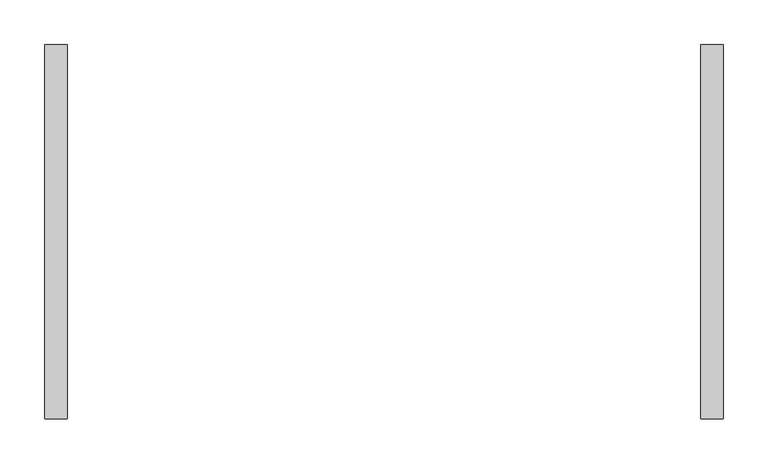
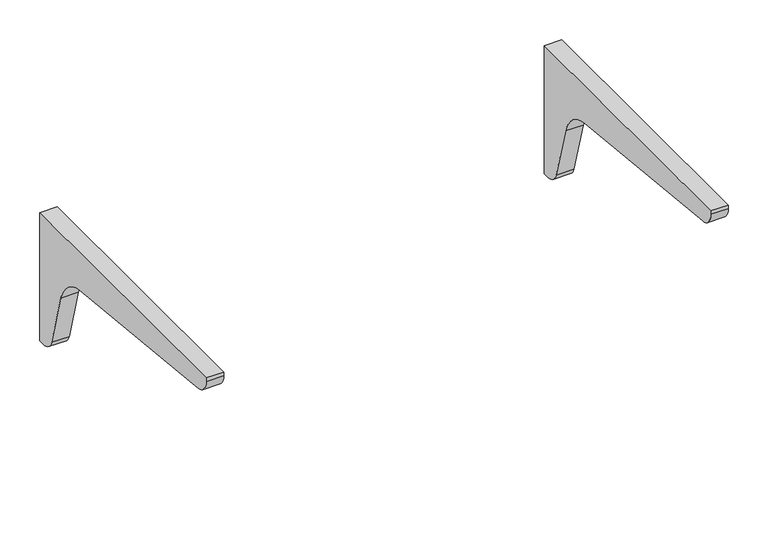
"""IFC4 building model written with IfcOpenShell, lengths in millimetres: furniture geometry."""

from ifc_helpers import new_model, si_unit, point, frame, frame_2d, origin, place, context, project, spatial, polyline, circle_curve, trimmed, segment, composite_curve, outline, extrude, source, transform, mapped, element, save


def furniture_de8b704a(model_context):
    return source(origin(), model_context, "Body", "SweptSolid", [
        extrude(outline(composite_curve([segment(polyline([(177.8, 1035.05), (177.8, 838.2), (168.7371495, 838.2)]), True, "CONTINUOUS"), segment(trimmed(circle_curve(frame_2d((168.7371495, 859.8467769)), 21.6467769), [point((168.7371495, 838.2))], [point((147.9289321, 853.8801165))], False, "CARTESIAN"), True, "CONTINUOUS"), segment(polyline([(147.9289321, 853.8801165), (124.3411705, 936.140416)]), True, "CONTINUOUS"), segment(trimmed(circle_curve(frame_2d((69.4050646, 920.387741)), 57.15), [point((124.3411705, 936.140416))], [point((75.1946456, 977.243728))], True, "CARTESIAN"), True, "CONTINUOUS"), segment(polyline([(75.1946456, 977.243728), (-221.2759719, 1007.4329963)]), True, "CONTINUOUS"), segment(trimmed(circle_curve(frame_2d((-219.018772, 1029.5995967)), 22.281228), [point((-221.2759719, 1007.4329963))], [point((-241.3, 1029.5995967))], False, "CARTESIAN"), True, "CONTINUOUS"), segment(polyline([(-241.3, 1029.5995967), (-241.3, 1035.05), (177.8, 1035.05)]), True, "CONTINUOUS")], self_intersect=False)), frame((354.0125, 0.0, 0.0), z_axis=(1.0, 0.0, 0.0), x_axis=(0.0, 1.0, 0.0)), (0.0, 0.0, 1.0), 25.4),
        extrude(outline(composite_curve([segment(polyline([(177.8, 1035.05), (177.8, 838.2), (168.7371495, 838.2)]), True, "CONTINUOUS"), segment(trimmed(circle_curve(frame_2d((168.7371495, 859.8467769)), 21.6467769), [point((168.7371495, 838.2))], [point((147.928932, 853.8801166))], False, "CARTESIAN"), True, "CONTINUOUS"), segment(polyline([(147.928932, 853.8801166), (124.3411706, 936.1404159)]), True, "CONTINUOUS"), segment(trimmed(circle_curve(frame_2d((69.4050646, 920.387741)), 57.15), [point((124.3411706, 936.1404159))], [point((75.1946456, 977.243728))], True, "CARTESIAN"), True, "CONTINUOUS"), segment(polyline([(75.1946456, 977.243728), (-221.2759719, 1007.4329963)]), True, "CONTINUOUS"), segment(trimmed(circle_curve(frame_2d((-219.018772, 1029.5995967)), 22.281228), [point((-221.2759719, 1007.4329963))], [point((-241.3, 1029.5995967))], False, "CARTESIAN"), True, "CONTINUOUS"), segment(polyline([(-241.3, 1029.5995967), (-241.3, 1035.05), (177.8, 1035.05)]), True, "CONTINUOUS")], self_intersect=False)), frame((-379.4125, 0.0, 0.0), z_axis=(1.0, 0.0, 0.0), x_axis=(0.0, 1.0, 0.0)), (0.0, 0.0, 1.0), 25.4),
    ])


if __name__ == "__main__":
    model = new_model("IFC4")
    model_context = context("Model", 3, world=origin())
    ifc_project = project(units=[si_unit("LENGTHUNIT", "METRE", prefix="MILLI")], contexts=[model_context])
    site = spatial("IfcSite", under=ifc_project)
    building = spatial("IfcBuilding", under=site)
    placement = place(None, origin())
    furniture_shape = furniture_de8b704a(model_context)
    element("IfcFurniture", 1, at=placement, inside=building, context=model_context, shape_type="MappedRepresentation", body=[
        mapped(furniture_shape, transform((0.0, 0.0, 0.0), x_axis=(1.0, 0.0, 0.0), y_axis=(0.0, 1.0, 0.0), z_axis=(0.0, 0.0, 1.0))),
    ])
    save(model, "model.ifc")
